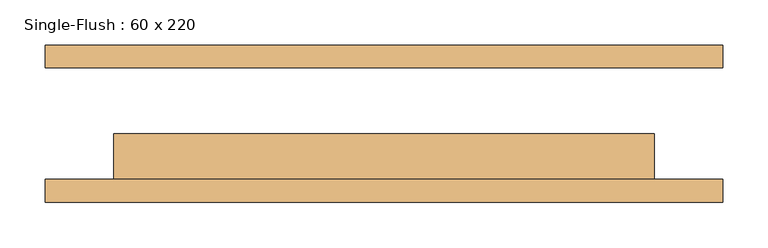
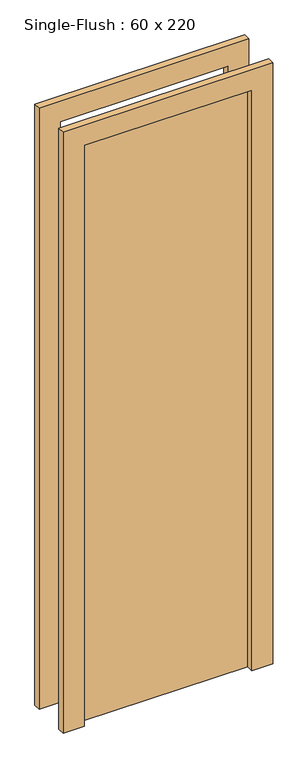
"""IFC4 building model written with IfcOpenShell, lengths in millimetres: door geometry, Single-Flush : 60 x 220."""

from ifc_helpers import new_model, si_unit, frame, origin, origin_with_axes, place, context, project, spatial, polyline, outline, extrude, source, transform, mapped, element, save


def single_flush_60_x_220_bcb3a2c7(model_context):
    return source(origin(), model_context, "Body", "SweptSolid", [
        extrude(outline(polyline([(2276.2, -376.2), (0.0, -376.2), (0.0, -300.0), (2200.0, -300.0), (2200.0, 300.0), (0.0, 300.0), (0.0, 376.2), (2276.2, 376.2), (2276.2, -376.2)])), frame((0.0, -87.3125, 0.0), z_axis=(0.0, 1.0, 0.0), x_axis=(0.0, 0.0, 1.0)), (0.0, 0.0, 1.0), 25.4),
        extrude(outline(polyline([(2276.2, 376.2), (2276.2, -376.2), (0.0, -376.2), (0.0, -300.0), (2200.0, -300.0), (2200.0, 300.0), (0.0, 300.0), (0.0, 376.2), (2276.2, 376.2)])), frame((0.0, 61.9125, 0.0), z_axis=(0.0, 1.0, 0.0), x_axis=(0.0, 0.0, 1.0)), (0.0, 0.0, 1.0), 25.4),
        extrude(outline(polyline([(300.0, -11.1125), (300.0, -61.9125), (-300.0, -61.9125), (-300.0, -11.1125), (300.0, -11.1125)])), origin_with_axes(), (0.0, 0.0, 1.0), 2200.0),
    ])


if __name__ == "__main__":
    model = new_model("IFC4")
    model_context = context("Model", 3, world=origin())
    ifc_project = project(units=[si_unit("LENGTHUNIT", "METRE", prefix="MILLI")], contexts=[model_context])
    site = spatial("IfcSite", under=ifc_project)
    building = spatial("IfcBuilding", under=site)
    placement = place(None, origin())
    single_flush_60_x_220_shape = single_flush_60_x_220_bcb3a2c7(model_context)
    element("IfcDoor", 1, ObjectType="Single-Flush : 60 x 220", at=placement, inside=building, context=model_context, shape_type="MappedRepresentation", body=[
        mapped(single_flush_60_x_220_shape, transform((0.0, 0.0, 0.0), x_axis=(1.0, 0.0, 0.0), y_axis=(0.0, 1.0, 0.0), z_axis=(0.0, 0.0, 1.0))),
    ])
    save(model, "model.ifc")
